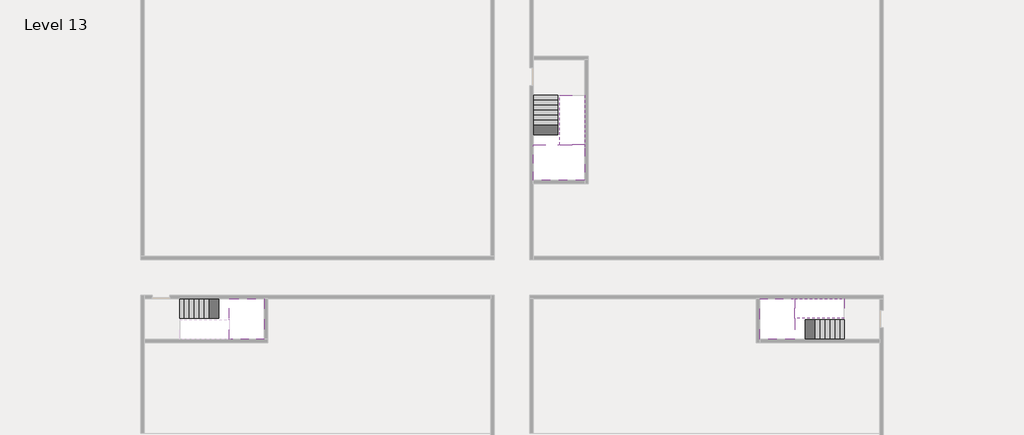
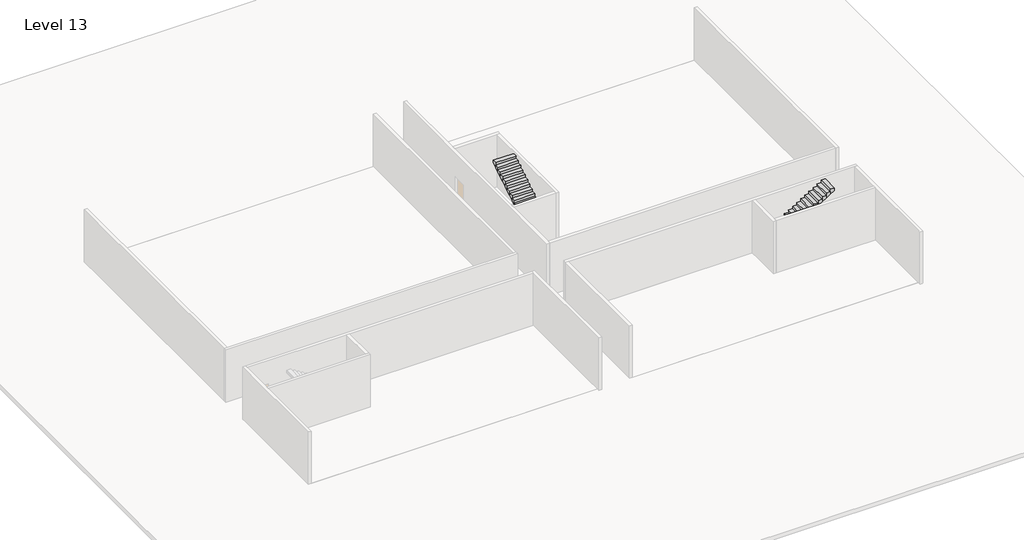
# One storey, part 2 of 2: 5 stair flights, 3 slabs.
"""IFC4 building model written with IfcOpenShell, lengths in millimetres."""

from ifc_helpers import new_model, si_unit, origin, place, context, project, spatial, faceted_brep, element, save

model = new_model("IFC4")

# Units and contexts
model_context = context("Model", 3, world=origin())
ifc_project = project(units=[si_unit("LENGTHUNIT", "METRE", prefix="MILLI")], contexts=[model_context])

# Site, building, storey
site = spatial("IfcSite", under=ifc_project)
building = spatial("IfcBuilding", under=site)
storey = spatial("IfcBuildingStorey", under=building, Name="Level 13", Elevation=45600.0)

# Slabs
placement = place(None, origin())
element("IfcSlab", 1, at=placement, inside=storey, context=model_context, shape_type="Brep", body=[
    faceted_brep([(8190.1058784, -42918.09644, 47500.0), (8190.1058784, -44018.09644, 47500.0), (8190.1058784, -44118.09644, 47500.0), (8190.1058784, -45218.09644, 47500.0), (8390.7194421, -45218.09644, 47500.0), (10190.1058784, -45218.09644, 47500.0), (10190.1058784, -42918.09644, 47500.0), (8269.4923146, -42918.09644, 47500.0), (8190.1058784, -42918.09644, 47327.2727273), (8190.1058784, -42918.09644, 47151.0278478), (8190.1058784, -44018.09644, 47151.0278478), (8190.1058784, -44018.09644, 47200.0), (8190.1058784, -44118.09644, 47200.0), (8190.1058784, -44118.09644, 47323.7551205), (8190.1058784, -45218.09644, 47323.7551205), (8390.7194421, -45218.09644, 47200.0), (10190.1058784, -45218.09644, 47200.0), (10190.1058784, -42918.09644, 47200.0), (8269.4923146, -42918.09644, 47200.0), (8390.7194421, -44118.09644, 47200.0), (8269.4923146, -44018.09644, 47200.0)], [[[0, 1, 2, 3, 4, 5, 6, 7]], [[1, 0, 8, 9, 10, 11]], [[2, 1, 11, 12, 13]], [[3, 2, 13, 14]], [[3, 14, 15, 16, 5, 4]], [[6, 5, 16, 17]], [[9, 8, 0, 7, 6, 17, 18]], [[19, 12, 11, 20, 18, 17, 16, 15]], [[12, 19, 13]], [[18, 20, 10, 9]], [[20, 11, 10]], [[19, 15, 14, 13]]]),
])
element("IfcSlab", 2, at=placement, inside=storey, context=model_context, shape_type="Brep", body=[
    faceted_brep([(40190.1058784, -45218.09644, 47500.0), (40190.1058784, -44118.09644, 47500.0), (40190.1058784, -44018.09644, 47500.0), (40190.1058784, -42918.09644, 47500.0), (39989.4923146, -42918.09644, 47500.0), (38190.1058784, -42918.09644, 47500.0), (38190.1058784, -45218.09644, 47500.0), (40110.7194421, -45218.09644, 47500.0), (40190.1058784, -45218.09644, 47327.2727273), (40190.1058784, -45218.09644, 47151.0278478), (40190.1058784, -44118.09644, 47151.0278478), (40190.1058784, -44118.09644, 47200.0), (40190.1058784, -44018.09644, 47200.0), (40190.1058784, -44018.09644, 47323.7551205), (40190.1058784, -42918.09644, 47323.7551205), (39989.4923146, -42918.09644, 47200.0), (38190.1058784, -42918.09644, 47200.0), (38190.1058784, -45218.09644, 47200.0), (40110.7194421, -45218.09644, 47200.0), (39989.4923146, -44018.09644, 47200.0), (40110.7194421, -44118.09644, 47200.0)], [[[0, 1, 2, 3, 4, 5, 6, 7]], [[1, 0, 8, 9, 10, 11]], [[2, 1, 11, 12, 13]], [[3, 2, 13, 14]], [[3, 14, 15, 16, 5, 4]], [[6, 5, 16, 17]], [[9, 8, 0, 7, 6, 17, 18]], [[19, 12, 11, 20, 18, 17, 16, 15]], [[12, 19, 13]], [[18, 20, 10, 9]], [[20, 11, 10]], [[19, 15, 14, 13]]]),
])
element("IfcSlab", 3, at=placement, inside=storey, context=model_context, shape_type="Brep", body=[
    faceted_brep([(26790.1058784, -34218.09644, 47500.0), (25390.1058784, -34218.09644, 47500.0), (25390.1058784, -34297.4828763, 47500.0), (25390.1058784, -36218.09644, 47500.0), (28290.1058784, -36218.09644, 47500.0), (28290.1058784, -34418.7100038, 47500.0), (28290.1058784, -34218.09644, 47500.0), (26890.1058784, -34218.09644, 47500.0), (26790.1058784, -34218.09644, 47200.0), (26790.1058784, -34218.09644, 47151.0278478), (25390.1058784, -34218.09644, 47151.0278478), (25390.1058784, -34218.09644, 47327.2727273), (25390.1058784, -34297.4828763, 47200.0), (25390.1058784, -36218.09644, 47200.0), (28290.1058784, -36218.09644, 47200.0), (28290.1058784, -34418.7100038, 47200.0), (28290.1058784, -34218.09644, 47323.7551205), (26890.1058784, -34218.09644, 47323.7551205), (26890.1058784, -34218.09644, 47200.0), (26890.1058784, -34418.7100038, 47200.0), (26790.1058784, -34297.4828763, 47200.0)], [[[0, 1, 2, 3, 4, 5, 6, 7]], [[1, 0, 8, 9, 10, 11]], [[1, 11, 10, 12, 13, 3, 2]], [[4, 3, 13, 14]], [[4, 14, 15, 16, 6, 5]], [[7, 6, 16, 17]], [[0, 7, 17, 18, 8]], [[18, 19, 15, 14, 13, 12, 20, 8]], [[19, 18, 17]], [[20, 12, 10, 9]], [[8, 20, 9]], [[15, 19, 17, 16]]]),
])

# Stair flights
element("IfcStairFlight", 4, at=placement, inside=storey, context=model_context, shape_type="Brep", body=[
    faceted_brep([(5670.1058784, -42918.09644, 45772.7272727), (5390.1058784, -42918.09644, 45772.7272727), (5390.1058784, -44018.09644, 45772.7272727), (5670.1058784, -44018.09644, 45772.7272727), (5670.1058784, -42918.09644, 45600.0), (5390.1058784, -42918.09644, 45600.0), (5390.1058784, -44018.09644, 45600.0), (5670.1058784, -44018.09644, 45600.0), (5950.1058784, -42918.09644, 45945.4545455), (5670.1058784, -42918.09644, 45945.4545455), (5670.1058784, -44018.09644, 45945.4545455), (5950.1058784, -44018.09644, 45945.4545455), (5950.1058784, -42918.09644, 45769.209666), (5675.8081041, -42918.09644, 45600.0), (5675.8081041, -44018.09644, 45600.0), (5950.1058784, -44018.09644, 45769.209666), (6230.1058784, -42918.09644, 46118.1818182), (5950.1058784, -42918.09644, 46118.1818182), (5950.1058784, -44018.09644, 46118.1818182), (6230.1058784, -44018.09644, 46118.1818182), (6230.1058784, -42918.09644, 45941.9369387), (6230.1058784, -44018.09644, 45941.9369387), (6510.1058784, -42918.09644, 46290.9090909), (6230.1058784, -42918.09644, 46290.9090909), (6230.1058784, -44018.09644, 46290.9090909), (6510.1058784, -44018.09644, 46290.9090909), (6510.1058784, -42918.09644, 46114.6642114), (6510.1058784, -44018.09644, 46114.6642114), (6790.1058784, -42918.09644, 46463.6363636), (6510.1058784, -42918.09644, 46463.6363636), (6510.1058784, -44018.09644, 46463.6363636), (6790.1058784, -44018.09644, 46463.6363636), (6790.1058784, -42918.09644, 46287.3914841), (6790.1058784, -44018.09644, 46287.3914841), (7070.1058784, -42918.09644, 46636.3636364), (6790.1058784, -42918.09644, 46636.3636364), (6790.1058784, -44018.09644, 46636.3636364), (7070.1058784, -44018.09644, 46636.3636364), (7070.1058784, -42918.09644, 46460.1187569), (7070.1058784, -44018.09644, 46460.1187569), (7350.1058784, -42918.09644, 46809.0909091), (7070.1058784, -42918.09644, 46809.0909091), (7070.1058784, -44018.09644, 46809.0909091), (7350.1058784, -44018.09644, 46809.0909091), (7350.1058784, -42918.09644, 46632.8460296), (7350.1058784, -44018.09644, 46632.8460296), (7630.1058784, -42918.09644, 46981.8181818), (7350.1058784, -42918.09644, 46981.8181818), (7350.1058784, -44018.09644, 46981.8181818), (7630.1058784, -44018.09644, 46981.8181818), (7630.1058784, -42918.09644, 46805.5733023), (7630.1058784, -44018.09644, 46805.5733023), (7910.1058784, -42918.09644, 47154.5454545), (7630.1058784, -42918.09644, 47154.5454545), (7630.1058784, -44018.09644, 47154.5454545), (7910.1058784, -44018.09644, 47154.5454545), (7910.1058784, -42918.09644, 46978.3005751), (7910.1058784, -44018.09644, 46978.3005751), (8190.1058784, -42918.09644, 47327.2727273), (7910.1058784, -42918.09644, 47327.2727273), (7910.1058784, -44018.09644, 47327.2727273), (8190.1058784, -44018.09644, 47327.2727273), (8190.1058784, -42918.09644, 47151.0278478), (8190.1058784, -44018.09644, 47151.0278478), (8190.1058784, -44018.09644, 47200.0)], [[[0, 1, 2, 3]], [[1, 0, 4, 5]], [[2, 1, 5, 6]], [[3, 2, 6, 7]], [[8, 9, 10, 11]], [[4, 0, 9, 8, 12, 13]], [[0, 3, 10, 9]], [[3, 7, 14, 15, 11, 10]], [[16, 17, 18, 19]], [[17, 16, 20, 12, 8]], [[8, 11, 18, 17]], [[19, 18, 11, 15, 21]], [[22, 23, 24, 25]], [[23, 22, 26, 20, 16]], [[16, 19, 24, 23]], [[25, 24, 19, 21, 27]], [[28, 29, 30, 31]], [[29, 28, 32, 26, 22]], [[22, 25, 30, 29]], [[31, 30, 25, 27, 33]], [[34, 35, 36, 37]], [[35, 34, 38, 32, 28]], [[28, 31, 36, 35]], [[37, 36, 31, 33, 39]], [[40, 41, 42, 43]], [[41, 40, 44, 38, 34]], [[34, 37, 42, 41]], [[43, 42, 37, 39, 45]], [[46, 47, 48, 49]], [[47, 46, 50, 44, 40]], [[40, 43, 48, 47]], [[49, 48, 43, 45, 51]], [[52, 53, 54, 55]], [[53, 52, 56, 50, 46]], [[46, 49, 54, 53]], [[55, 54, 49, 51, 57]], [[58, 59, 60, 61]], [[59, 58, 62, 56, 52]], [[52, 55, 60, 59]], [[61, 60, 55, 57, 63, 64]], [[58, 61, 64, 63, 62]], [[5, 4, 13, 14, 7, 6]], [[14, 13, 12, 20, 26, 32, 38, 44, 50, 56, 62, 63, 57, 51, 45, 39, 33, 27, 21, 15]]]),
])
element("IfcStairFlight", 5, at=placement, inside=storey, context=model_context, shape_type="Brep", body=[
    faceted_brep([(42710.1058784, -45218.09644, 45772.7272727), (42990.1058784, -45218.09644, 45772.7272727), (42990.1058784, -44118.09644, 45772.7272727), (42710.1058784, -44118.09644, 45772.7272727), (42710.1058784, -45218.09644, 45600.0), (42990.1058784, -45218.09644, 45600.0), (42990.1058784, -44118.09644, 45600.0), (42710.1058784, -44118.09644, 45600.0), (42430.1058784, -45218.09644, 45945.4545455), (42710.1058784, -45218.09644, 45945.4545455), (42710.1058784, -44118.09644, 45945.4545455), (42430.1058784, -44118.09644, 45945.4545455), (42430.1058784, -45218.09644, 45769.209666), (42704.4036527, -45218.09644, 45600.0), (42704.4036527, -44118.09644, 45600.0), (42430.1058784, -44118.09644, 45769.209666), (42150.1058784, -45218.09644, 46118.1818182), (42430.1058784, -45218.09644, 46118.1818182), (42430.1058784, -44118.09644, 46118.1818182), (42150.1058784, -44118.09644, 46118.1818182), (42150.1058784, -45218.09644, 45941.9369387), (42150.1058784, -44118.09644, 45941.9369387), (41870.1058784, -45218.09644, 46290.9090909), (42150.1058784, -45218.09644, 46290.9090909), (42150.1058784, -44118.09644, 46290.9090909), (41870.1058784, -44118.09644, 46290.9090909), (41870.1058784, -45218.09644, 46114.6642114), (41870.1058784, -44118.09644, 46114.6642114), (41590.1058784, -45218.09644, 46463.6363636), (41870.1058784, -45218.09644, 46463.6363636), (41870.1058784, -44118.09644, 46463.6363636), (41590.1058784, -44118.09644, 46463.6363636), (41590.1058784, -45218.09644, 46287.3914841), (41590.1058784, -44118.09644, 46287.3914841), (41310.1058784, -45218.09644, 46636.3636364), (41590.1058784, -45218.09644, 46636.3636364), (41590.1058784, -44118.09644, 46636.3636364), (41310.1058784, -44118.09644, 46636.3636364), (41310.1058784, -45218.09644, 46460.1187569), (41310.1058784, -44118.09644, 46460.1187569), (41030.1058784, -45218.09644, 46809.0909091), (41310.1058784, -45218.09644, 46809.0909091), (41310.1058784, -44118.09644, 46809.0909091), (41030.1058784, -44118.09644, 46809.0909091), (41030.1058784, -45218.09644, 46632.8460296), (41030.1058784, -44118.09644, 46632.8460296), (40750.1058784, -45218.09644, 46981.8181818), (41030.1058784, -45218.09644, 46981.8181818), (41030.1058784, -44118.09644, 46981.8181818), (40750.1058784, -44118.09644, 46981.8181818), (40750.1058784, -45218.09644, 46805.5733023), (40750.1058784, -44118.09644, 46805.5733023), (40470.1058784, -45218.09644, 47154.5454545), (40750.1058784, -45218.09644, 47154.5454545), (40750.1058784, -44118.09644, 47154.5454545), (40470.1058784, -44118.09644, 47154.5454545), (40470.1058784, -45218.09644, 46978.3005751), (40470.1058784, -44118.09644, 46978.3005751), (40190.1058784, -45218.09644, 47327.2727273), (40470.1058784, -45218.09644, 47327.2727273), (40470.1058784, -44118.09644, 47327.2727273), (40190.1058784, -44118.09644, 47327.2727273), (40190.1058784, -45218.09644, 47151.0278478), (40190.1058784, -44118.09644, 47151.0278478), (40190.1058784, -44118.09644, 47200.0)], [[[0, 1, 2, 3]], [[1, 0, 4, 5]], [[2, 1, 5, 6]], [[3, 2, 6, 7]], [[8, 9, 10, 11]], [[4, 0, 9, 8, 12, 13]], [[0, 3, 10, 9]], [[3, 7, 14, 15, 11, 10]], [[16, 17, 18, 19]], [[17, 16, 20, 12, 8]], [[8, 11, 18, 17]], [[19, 18, 11, 15, 21]], [[22, 23, 24, 25]], [[23, 22, 26, 20, 16]], [[16, 19, 24, 23]], [[25, 24, 19, 21, 27]], [[28, 29, 30, 31]], [[29, 28, 32, 26, 22]], [[22, 25, 30, 29]], [[31, 30, 25, 27, 33]], [[34, 35, 36, 37]], [[35, 34, 38, 32, 28]], [[28, 31, 36, 35]], [[37, 36, 31, 33, 39]], [[40, 41, 42, 43]], [[41, 40, 44, 38, 34]], [[34, 37, 42, 41]], [[43, 42, 37, 39, 45]], [[46, 47, 48, 49]], [[47, 46, 50, 44, 40]], [[40, 43, 48, 47]], [[49, 48, 43, 45, 51]], [[52, 53, 54, 55]], [[53, 52, 56, 50, 46]], [[46, 49, 54, 53]], [[55, 54, 49, 51, 57]], [[58, 59, 60, 61]], [[59, 58, 62, 56, 52]], [[52, 55, 60, 59]], [[61, 60, 55, 57, 63, 64]], [[58, 61, 64, 63, 62]], [[5, 4, 13, 14, 7, 6]], [[14, 13, 12, 20, 26, 32, 38, 44, 50, 56, 62, 63, 57, 51, 45, 39, 33, 27, 21, 15]]]),
])
element("IfcStairFlight", 6, at=placement, inside=storey, context=model_context, shape_type="Brep", body=[
    faceted_brep([(40470.1058784, -42918.09644, 47672.7272727), (40190.1058784, -42918.09644, 47672.7272727), (40190.1058784, -44018.09644, 47672.7272727), (40470.1058784, -44018.09644, 47672.7272727), (40470.1058784, -42918.09644, 47496.4823932), (40190.1058784, -42918.09644, 47323.7551205), (40190.1058784, -42918.09644, 47500.0), (40190.1058784, -44018.09644, 47323.7551205), (40470.1058784, -44018.09644, 47496.4823932), (40750.1058784, -42918.09644, 47845.4545455), (40470.1058784, -42918.09644, 47845.4545455), (40470.1058784, -44018.09644, 47845.4545455), (40750.1058784, -44018.09644, 47845.4545455), (40750.1058784, -42918.09644, 47669.209666), (40750.1058784, -44018.09644, 47669.209666), (41030.1058784, -42918.09644, 48018.1818182), (40750.1058784, -42918.09644, 48018.1818182), (40750.1058784, -44018.09644, 48018.1818182), (41030.1058784, -44018.09644, 48018.1818182), (41030.1058784, -42918.09644, 47841.9369387), (41030.1058784, -44018.09644, 47841.9369387), (41310.1058784, -42918.09644, 48190.9090909), (41030.1058784, -42918.09644, 48190.9090909), (41030.1058784, -44018.09644, 48190.9090909), (41310.1058784, -44018.09644, 48190.9090909), (41310.1058784, -42918.09644, 48014.6642114), (41310.1058784, -44018.09644, 48014.6642114), (41590.1058784, -42918.09644, 48363.6363636), (41310.1058784, -42918.09644, 48363.6363636), (41310.1058784, -44018.09644, 48363.6363636), (41590.1058784, -44018.09644, 48363.6363636), (41590.1058784, -42918.09644, 48187.3914841), (41590.1058784, -44018.09644, 48187.3914841), (41870.1058784, -42918.09644, 48536.3636364), (41590.1058784, -42918.09644, 48536.3636364), (41590.1058784, -44018.09644, 48536.3636364), (41870.1058784, -44018.09644, 48536.3636364), (41870.1058784, -42918.09644, 48360.1187569), (41870.1058784, -44018.09644, 48360.1187569), (42150.1058784, -42918.09644, 48709.0909091), (41870.1058784, -42918.09644, 48709.0909091), (41870.1058784, -44018.09644, 48709.0909091), (42150.1058784, -44018.09644, 48709.0909091), (42150.1058784, -42918.09644, 48532.8460296), (42150.1058784, -44018.09644, 48532.8460296), (42430.1058784, -42918.09644, 48881.8181818), (42150.1058784, -42918.09644, 48881.8181818), (42150.1058784, -44018.09644, 48881.8181818), (42430.1058784, -44018.09644, 48881.8181818), (42430.1058784, -42918.09644, 48705.5733023), (42430.1058784, -44018.09644, 48705.5733023), (42710.1058784, -42918.09644, 49054.5454545), (42430.1058784, -42918.09644, 49054.5454545), (42430.1058784, -44018.09644, 49054.5454545), (42710.1058784, -44018.09644, 49054.5454545), (42710.1058784, -42918.09644, 48878.3005751), (42710.1058784, -44018.09644, 48878.3005751), (42990.1058784, -42918.09644, 49227.2727273), (42710.1058784, -42918.09644, 49227.2727273), (42710.1058784, -44018.09644, 49227.2727273), (42990.1058784, -44018.09644, 49227.2727273), (42990.1058784, -42918.09644, 49051.0278478), (42990.1058784, -44018.09644, 49051.0278478)], [[[0, 1, 2, 3]], [[1, 0, 4, 5, 6]], [[2, 1, 6, 5, 7]], [[3, 2, 7, 8]], [[9, 10, 11, 12]], [[10, 9, 13, 4, 0]], [[11, 10, 0, 3]], [[12, 11, 3, 8, 14]], [[15, 16, 17, 18]], [[16, 15, 19, 13, 9]], [[17, 16, 9, 12]], [[18, 17, 12, 14, 20]], [[21, 22, 23, 24]], [[22, 21, 25, 19, 15]], [[23, 22, 15, 18]], [[24, 23, 18, 20, 26]], [[27, 28, 29, 30]], [[28, 27, 31, 25, 21]], [[29, 28, 21, 24]], [[30, 29, 24, 26, 32]], [[33, 34, 35, 36]], [[34, 33, 37, 31, 27]], [[35, 34, 27, 30]], [[36, 35, 30, 32, 38]], [[39, 40, 41, 42]], [[40, 39, 43, 37, 33]], [[41, 40, 33, 36]], [[42, 41, 36, 38, 44]], [[45, 46, 47, 48]], [[46, 45, 49, 43, 39]], [[47, 46, 39, 42]], [[48, 47, 42, 44, 50]], [[51, 52, 53, 54]], [[52, 51, 55, 49, 45]], [[53, 52, 45, 48]], [[54, 53, 48, 50, 56]], [[57, 58, 59, 60]], [[58, 57, 61, 55, 51]], [[59, 58, 51, 54]], [[60, 59, 54, 56, 62]], [[57, 60, 62, 61]], [[5, 4, 13, 19, 25, 31, 37, 43, 49, 55, 61, 62, 56, 50, 44, 38, 32, 26, 20, 14, 8, 7]]]),
])
element("IfcStairFlight", 7, at=placement, inside=storey, context=model_context, shape_type="Brep", body=[
    faceted_brep([(26790.1058784, -31698.09644, 45772.7272727), (26790.1058784, -31418.09644, 45772.7272727), (25390.1058784, -31418.09644, 45772.7272727), (25390.1058784, -31698.09644, 45772.7272727), (26790.1058784, -31698.09644, 45600.0), (26790.1058784, -31418.09644, 45600.0), (25390.1058784, -31418.09644, 45600.0), (25390.1058784, -31698.09644, 45600.0), (26790.1058784, -31978.09644, 45945.4545455), (26790.1058784, -31698.09644, 45945.4545455), (25390.1058784, -31698.09644, 45945.4545455), (25390.1058784, -31978.09644, 45945.4545455), (26790.1058784, -31978.09644, 45769.209666), (26790.1058784, -31703.7986657, 45600.0), (25390.1058784, -31703.7986657, 45600.0), (25390.1058784, -31978.09644, 45769.209666), (26790.1058784, -32258.09644, 46118.1818182), (26790.1058784, -31978.09644, 46118.1818182), (25390.1058784, -31978.09644, 46118.1818182), (25390.1058784, -32258.09644, 46118.1818182), (26790.1058784, -32258.09644, 45941.9369387), (25390.1058784, -32258.09644, 45941.9369387), (26790.1058784, -32538.09644, 46290.9090909), (26790.1058784, -32258.09644, 46290.9090909), (25390.1058784, -32258.09644, 46290.9090909), (25390.1058784, -32538.09644, 46290.9090909), (26790.1058784, -32538.09644, 46114.6642114), (25390.1058784, -32538.09644, 46114.6642114), (26790.1058784, -32818.09644, 46463.6363636), (26790.1058784, -32538.09644, 46463.6363636), (25390.1058784, -32538.09644, 46463.6363636), (25390.1058784, -32818.09644, 46463.6363636), (26790.1058784, -32818.09644, 46287.3914841), (25390.1058784, -32818.09644, 46287.3914841), (26790.1058784, -33098.09644, 46636.3636364), (26790.1058784, -32818.09644, 46636.3636364), (25390.1058784, -32818.09644, 46636.3636364), (25390.1058784, -33098.09644, 46636.3636364), (26790.1058784, -33098.09644, 46460.1187569), (25390.1058784, -33098.09644, 46460.1187569), (26790.1058784, -33378.09644, 46809.0909091), (26790.1058784, -33098.09644, 46809.0909091), (25390.1058784, -33098.09644, 46809.0909091), (25390.1058784, -33378.09644, 46809.0909091), (26790.1058784, -33378.09644, 46632.8460296), (25390.1058784, -33378.09644, 46632.8460296), (26790.1058784, -33658.09644, 46981.8181818), (26790.1058784, -33378.09644, 46981.8181818), (25390.1058784, -33378.09644, 46981.8181818), (25390.1058784, -33658.09644, 46981.8181818), (26790.1058784, -33658.09644, 46805.5733023), (25390.1058784, -33658.09644, 46805.5733023), (26790.1058784, -33938.09644, 47154.5454545), (26790.1058784, -33658.09644, 47154.5454545), (25390.1058784, -33658.09644, 47154.5454545), (25390.1058784, -33938.09644, 47154.5454545), (26790.1058784, -33938.09644, 46978.3005751), (25390.1058784, -33938.09644, 46978.3005751), (26790.1058784, -34218.09644, 47327.2727273), (26790.1058784, -33938.09644, 47327.2727273), (25390.1058784, -33938.09644, 47327.2727273), (25390.1058784, -34218.09644, 47327.2727273), (26790.1058784, -34218.09644, 47200.0), (26790.1058784, -34218.09644, 47151.0278478), (25390.1058784, -34218.09644, 47151.0278478)], [[[0, 1, 2, 3]], [[1, 0, 4, 5]], [[2, 1, 5, 6]], [[3, 2, 6, 7]], [[8, 9, 10, 11]], [[4, 0, 9, 8, 12, 13]], [[0, 3, 10, 9]], [[3, 7, 14, 15, 11, 10]], [[16, 17, 18, 19]], [[17, 16, 20, 12, 8]], [[8, 11, 18, 17]], [[19, 18, 11, 15, 21]], [[22, 23, 24, 25]], [[23, 22, 26, 20, 16]], [[16, 19, 24, 23]], [[25, 24, 19, 21, 27]], [[28, 29, 30, 31]], [[29, 28, 32, 26, 22]], [[22, 25, 30, 29]], [[31, 30, 25, 27, 33]], [[34, 35, 36, 37]], [[35, 34, 38, 32, 28]], [[28, 31, 36, 35]], [[37, 36, 31, 33, 39]], [[40, 41, 42, 43]], [[41, 40, 44, 38, 34]], [[34, 37, 42, 41]], [[43, 42, 37, 39, 45]], [[46, 47, 48, 49]], [[47, 46, 50, 44, 40]], [[40, 43, 48, 47]], [[49, 48, 43, 45, 51]], [[52, 53, 54, 55]], [[53, 52, 56, 50, 46]], [[46, 49, 54, 53]], [[55, 54, 49, 51, 57]], [[58, 59, 60, 61]], [[59, 58, 62, 63, 56, 52]], [[52, 55, 60, 59]], [[61, 60, 55, 57, 64]], [[58, 61, 64, 63, 62]], [[5, 4, 13, 14, 7, 6]], [[14, 13, 12, 20, 26, 32, 38, 44, 50, 56, 63, 64, 57, 51, 45, 39, 33, 27, 21, 15]]]),
])
element("IfcStairFlight", 8, at=placement, inside=storey, context=model_context, shape_type="Brep", body=[
    faceted_brep([(26890.1058784, -33938.09644, 47672.7272727), (26890.1058784, -34218.09644, 47672.7272727), (28290.1058784, -34218.09644, 47672.7272727), (28290.1058784, -33938.09644, 47672.7272727), (26890.1058784, -33938.09644, 47496.4823932), (26890.1058784, -34218.09644, 47323.7551205), (28290.1058784, -34218.09644, 47323.7551205), (28290.1058784, -34218.09644, 47500.0), (28290.1058784, -33938.09644, 47496.4823932), (26890.1058784, -33658.09644, 47845.4545455), (26890.1058784, -33938.09644, 47845.4545455), (28290.1058784, -33938.09644, 47845.4545455), (28290.1058784, -33658.09644, 47845.4545455), (26890.1058784, -33658.09644, 47669.209666), (28290.1058784, -33658.09644, 47669.209666), (26890.1058784, -33378.09644, 48018.1818182), (26890.1058784, -33658.09644, 48018.1818182), (28290.1058784, -33658.09644, 48018.1818182), (28290.1058784, -33378.09644, 48018.1818182), (26890.1058784, -33378.09644, 47841.9369387), (28290.1058784, -33378.09644, 47841.9369387), (26890.1058784, -33098.09644, 48190.9090909), (26890.1058784, -33378.09644, 48190.9090909), (28290.1058784, -33378.09644, 48190.9090909), (28290.1058784, -33098.09644, 48190.9090909), (26890.1058784, -33098.09644, 48014.6642114), (28290.1058784, -33098.09644, 48014.6642114), (26890.1058784, -32818.09644, 48363.6363636), (26890.1058784, -33098.09644, 48363.6363636), (28290.1058784, -33098.09644, 48363.6363636), (28290.1058784, -32818.09644, 48363.6363636), (26890.1058784, -32818.09644, 48187.3914841), (28290.1058784, -32818.09644, 48187.3914841), (26890.1058784, -32538.09644, 48536.3636364), (26890.1058784, -32818.09644, 48536.3636364), (28290.1058784, -32818.09644, 48536.3636364), (28290.1058784, -32538.09644, 48536.3636364), (26890.1058784, -32538.09644, 48360.1187569), (28290.1058784, -32538.09644, 48360.1187569), (26890.1058784, -32258.09644, 48709.0909091), (26890.1058784, -32538.09644, 48709.0909091), (28290.1058784, -32538.09644, 48709.0909091), (28290.1058784, -32258.09644, 48709.0909091), (26890.1058784, -32258.09644, 48532.8460296), (28290.1058784, -32258.09644, 48532.8460296), (26890.1058784, -31978.09644, 48881.8181818), (26890.1058784, -32258.09644, 48881.8181818), (28290.1058784, -32258.09644, 48881.8181818), (28290.1058784, -31978.09644, 48881.8181818), (26890.1058784, -31978.09644, 48705.5733023), (28290.1058784, -31978.09644, 48705.5733023), (26890.1058784, -31698.09644, 49054.5454545), (26890.1058784, -31978.09644, 49054.5454545), (28290.1058784, -31978.09644, 49054.5454545), (28290.1058784, -31698.09644, 49054.5454545), (26890.1058784, -31698.09644, 48878.3005751), (28290.1058784, -31698.09644, 48878.3005751), (26890.1058784, -31418.09644, 49227.2727273), (26890.1058784, -31698.09644, 49227.2727273), (28290.1058784, -31698.09644, 49227.2727273), (28290.1058784, -31418.09644, 49227.2727273), (26890.1058784, -31418.09644, 49051.0278478), (28290.1058784, -31418.09644, 49051.0278478)], [[[0, 1, 2, 3]], [[1, 0, 4, 5]], [[2, 1, 5, 6, 7]], [[3, 2, 7, 6, 8]], [[9, 10, 11, 12]], [[10, 9, 13, 4, 0]], [[11, 10, 0, 3]], [[12, 11, 3, 8, 14]], [[15, 16, 17, 18]], [[16, 15, 19, 13, 9]], [[17, 16, 9, 12]], [[18, 17, 12, 14, 20]], [[21, 22, 23, 24]], [[22, 21, 25, 19, 15]], [[23, 22, 15, 18]], [[24, 23, 18, 20, 26]], [[27, 28, 29, 30]], [[28, 27, 31, 25, 21]], [[29, 28, 21, 24]], [[30, 29, 24, 26, 32]], [[33, 34, 35, 36]], [[34, 33, 37, 31, 27]], [[35, 34, 27, 30]], [[36, 35, 30, 32, 38]], [[39, 40, 41, 42]], [[40, 39, 43, 37, 33]], [[41, 40, 33, 36]], [[42, 41, 36, 38, 44]], [[45, 46, 47, 48]], [[46, 45, 49, 43, 39]], [[47, 46, 39, 42]], [[48, 47, 42, 44, 50]], [[51, 52, 53, 54]], [[52, 51, 55, 49, 45]], [[53, 52, 45, 48]], [[54, 53, 48, 50, 56]], [[57, 58, 59, 60]], [[58, 57, 61, 55, 51]], [[59, 58, 51, 54]], [[60, 59, 54, 56, 62]], [[57, 60, 62, 61]], [[5, 4, 13, 19, 25, 31, 37, 43, 49, 55, 61, 62, 56, 50, 44, 38, 32, 26, 20, 14, 8, 6]]]),
])

save(model, "model.ifc")
